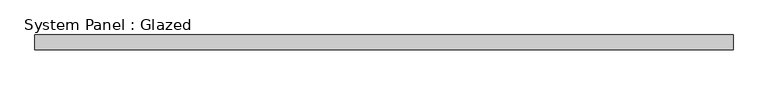
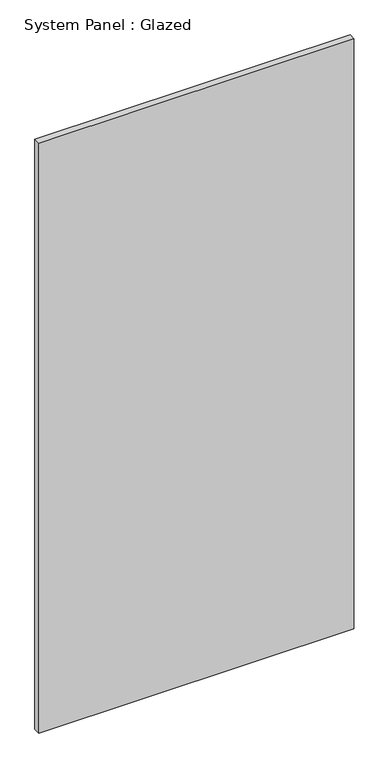
"""IFC4 building model written with IfcOpenShell, lengths in millimetres: plate geometry, System Panel : Glazed."""

from ifc_helpers import new_model, si_unit, origin, origin_with_axes, place, context, project, spatial, polyline, outline, extrude, source, transform, mapped, element, save


def system_panel_glazed_9781e185(model_context):
    return source(origin(), model_context, "Body", "SweptSolid", [
        extrude(outline(polyline([(587.5, -49.5), (-587.5, -49.5), (-587.5, -24.5), (587.5, -24.5), (587.5, -49.5)])), origin_with_axes(), (0.0, 0.0, 1.0), 2325.0),
    ])


if __name__ == "__main__":
    model = new_model("IFC4")
    model_context = context("Model", 3, world=origin())
    ifc_project = project(units=[si_unit("LENGTHUNIT", "METRE", prefix="MILLI")], contexts=[model_context])
    site = spatial("IfcSite", under=ifc_project)
    building = spatial("IfcBuilding", under=site)
    placement = place(None, origin())
    system_panel_glazed_shape = system_panel_glazed_9781e185(model_context)
    element("IfcPlate", 1, ObjectType="System Panel : Glazed", at=placement, inside=building, context=model_context, shape_type="MappedRepresentation", body=[
        mapped(system_panel_glazed_shape, transform((0.0, 0.0, 0.0), x_axis=(1.0, 0.0, 0.0), y_axis=(0.0, 1.0, 0.0), z_axis=(0.0, 0.0, 1.0))),
    ])
    save(model, "model.ifc")
